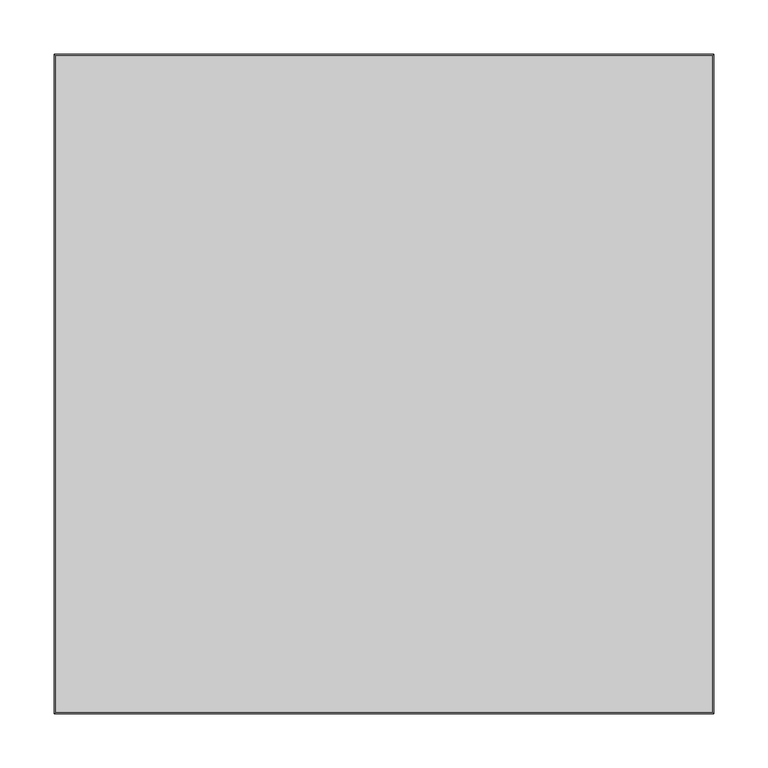
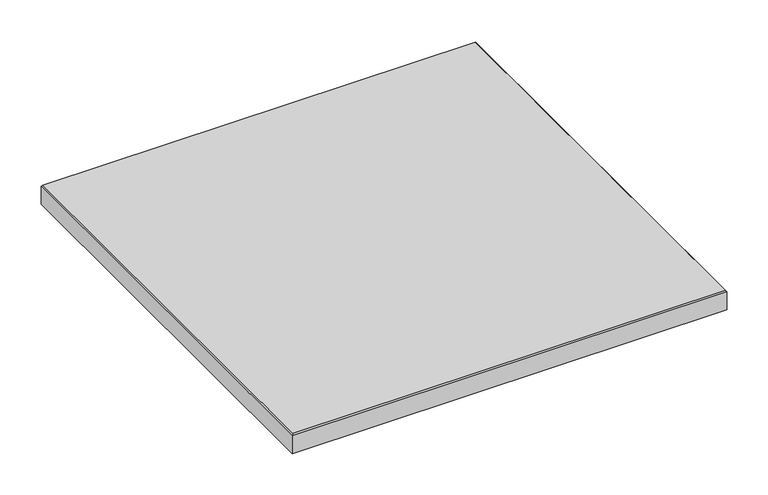
"""IFC4 building model written with IfcOpenShell, lengths in millimetres: proxy geometry."""

from ifc_helpers import new_model, si_unit, origin, place, context, project, spatial, faceted_brep, source, transform, mapped, element, save


def generic_models_c118bd0e(model_context):
    return source(origin(), model_context, "Body", "Brep", [
        faceted_brep([(304.8, 304.8, -28.575), (304.8, -304.8, -28.575), (-304.8, -304.8, -28.575), (-304.8, 304.8, -28.575), (-304.8, 304.8, -1.5875), (304.8, 304.8, -1.5875), (-304.8, -304.8, -1.5875), (304.8, -304.8, -1.5875), (303.2125, 303.2125, 0.0), (-303.2125, 303.2125, 0.0), (-303.2125, -303.2125, 0.0), (303.2125, -303.2125, 0.0)], [[[0, 1, 2, 3]], [[0, 3, 4, 5]], [[3, 2, 6, 4]], [[2, 1, 7, 6]], [[1, 0, 5, 7]], [[8, 9, 10, 11]], [[9, 8, 5, 4]], [[10, 9, 4, 6]], [[11, 10, 6, 7]], [[8, 11, 7, 5]]]),
    ])


if __name__ == "__main__":
    model = new_model("IFC4")
    model_context = context("Model", 3, world=origin())
    ifc_project = project(units=[si_unit("LENGTHUNIT", "METRE", prefix="MILLI")], contexts=[model_context])
    site = spatial("IfcSite", under=ifc_project)
    building = spatial("IfcBuilding", under=site)
    placement = place(None, origin())
    generic_models_shape = generic_models_c118bd0e(model_context)
    element("IfcBuildingElementProxy", 1, Name="Generic Models", at=placement, inside=building, context=model_context, shape_type="MappedRepresentation", body=[
        mapped(generic_models_shape, transform((0.0, 0.0, 0.0), x_axis=(1.0, 0.0, 0.0), y_axis=(0.0, 1.0, 0.0), z_axis=(0.0, 0.0, 1.0))),
    ])
    save(model, "model.ifc")
